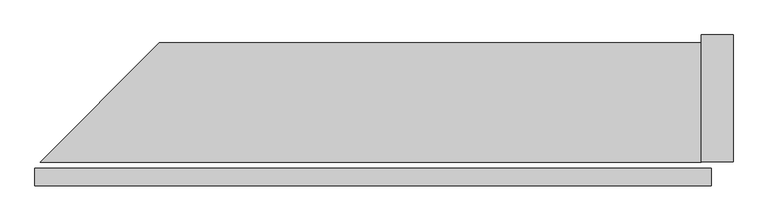
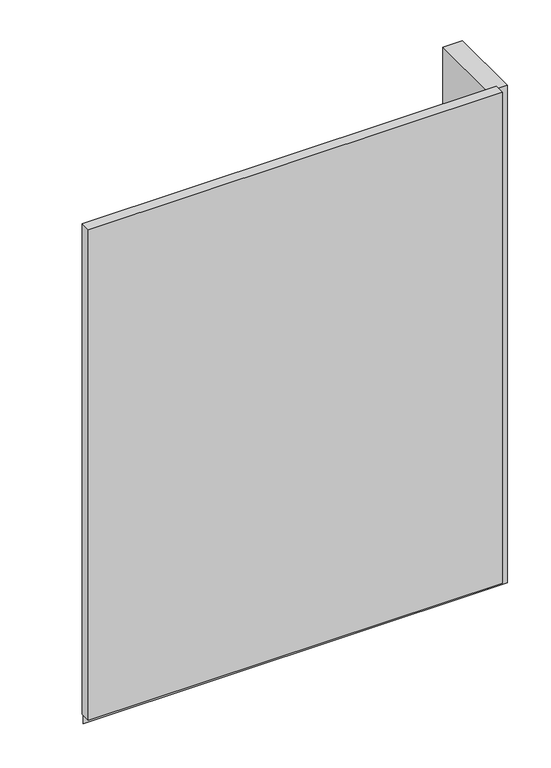
"""IFC4 building model written with IfcOpenShell, lengths in millimetres: plate geometry."""

from ifc_helpers import new_model, si_unit, frame, origin, origin_with_axes, place, context, project, spatial, polyline, outline, extrude, source, transform, mapped, element, save


def plate_14d634d0(model_context):
    return source(origin(), model_context, "Body", "SweptSolid", [
        extrude(outline(polyline([(852.0, 0.0), (-852.0, 0.0), (-852.0, 44.0), (852.0, 44.0), (852.0, 0.0)])), origin_with_axes(), (0.0, 0.0, 1.0), 2132.0),
        extrude(outline(polyline([(827.0, 360.0), (827.0, 60.0), (-838.4314575, 60.0), (-538.4314575, 360.0), (827.0, 360.0)])), frame((0.0, 0.0, -55.0), z_axis=(0.0, 0.0, 1.0), x_axis=(1.0, 0.0, 0.0)), (0.0, 0.0, 1.0), 80.0),
        extrude(outline(polyline([(907.0, 60.0), (827.0, 60.0), (827.0, 380.0), (907.0, 380.0), (907.0, 60.0)])), frame((0.0, 0.0, -55.0), z_axis=(0.0, 0.0, 1.0), x_axis=(1.0, 0.0, 0.0)), (0.0, 0.0, 1.0), 2162.0),
    ])


if __name__ == "__main__":
    model = new_model("IFC4")
    model_context = context("Model", 3, world=origin())
    ifc_project = project(units=[si_unit("LENGTHUNIT", "METRE", prefix="MILLI")], contexts=[model_context])
    site = spatial("IfcSite", under=ifc_project)
    building = spatial("IfcBuilding", under=site)
    placement = place(None, origin())
    plate_shape = plate_14d634d0(model_context)
    element("IfcPlate", 1, at=placement, inside=building, context=model_context, shape_type="MappedRepresentation", body=[
        mapped(plate_shape, transform((0.0, 0.0, 0.0), x_axis=(1.0, 0.0, 0.0), y_axis=(0.0, 1.0, 0.0), z_axis=(0.0, 0.0, 1.0))),
    ])
    save(model, "model.ifc")
